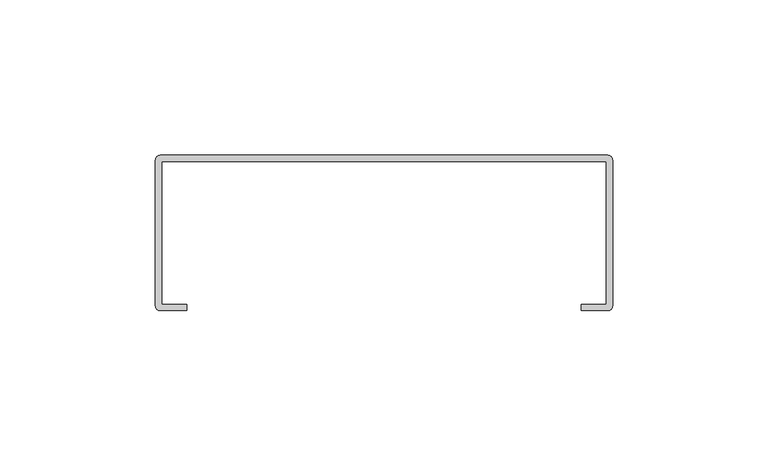
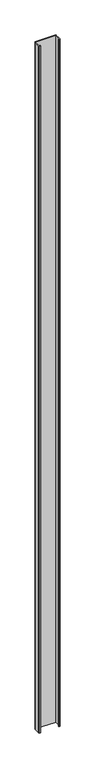
"""IFC4 building model written with IfcOpenShell, lengths in millimetres: proxy geometry."""

from ifc_helpers import new_model, si_unit, point, frame_2d, origin, origin_with_axes, place, context, project, spatial, polyline, circle_curve, trimmed, segment, composite_curve, outline, extrude, source, transform, mapped, element, save


def generic_models_c9da9b57(model_context):
    return source(origin(), model_context, "Body", "SweptSolid", [
        extrude(outline(composite_curve([segment(polyline([(-72.0, 25.0), (72.0, 25.0)]), True, "CONTINUOUS"), segment(trimmed(circle_curve(frame_2d((72.0, 23.5)), 1.5), [point((72.0, 25.0))], [point((73.5, 23.5))], False, "CARTESIAN"), True, "CONTINUOUS"), segment(polyline([(73.5, 23.5), (73.5, -23.5)]), True, "CONTINUOUS"), segment(trimmed(circle_curve(frame_2d((72.0, -23.5)), 1.5), [point((73.5, -23.5))], [point((72.0, -25.0))], False, "CARTESIAN"), True, "CONTINUOUS"), segment(polyline([(72.0, -25.0), (63.5, -25.0), (63.5, -23.0), (71.5, -23.0), (71.5, 23.0), (-71.5, 23.0), (-71.5, -23.0), (-63.5, -23.0), (-63.5, -25.0), (-72.0, -25.0)]), True, "CONTINUOUS"), segment(trimmed(circle_curve(frame_2d((-72.0, -23.5)), 1.5), [point((-72.0, -25.0))], [point((-73.5, -23.5))], False, "CARTESIAN"), True, "CONTINUOUS"), segment(polyline([(-73.5, -23.5), (-73.5, 23.5)]), True, "CONTINUOUS"), segment(trimmed(circle_curve(frame_2d((-72.0, 23.5)), 1.5), [point((-73.5, 23.5))], [point((-72.0, 25.0))], False, "CARTESIAN"), True, "CONTINUOUS")], self_intersect=False)), origin_with_axes(), (0.0, 0.0, 1.0), 5000.0),
    ])


if __name__ == "__main__":
    model = new_model("IFC4")
    model_context = context("Model", 3, world=origin())
    ifc_project = project(units=[si_unit("LENGTHUNIT", "METRE", prefix="MILLI")], contexts=[model_context])
    site = spatial("IfcSite", under=ifc_project)
    building = spatial("IfcBuilding", under=site)
    placement = place(None, origin())
    generic_models_shape = generic_models_c9da9b57(model_context)
    element("IfcBuildingElementProxy", 1, Name="Generic Models", at=placement, inside=building, context=model_context, shape_type="MappedRepresentation", body=[
        mapped(generic_models_shape, transform((0.0, 0.0, 0.0), x_axis=(1.0, 0.0, 0.0), y_axis=(0.0, 1.0, 0.0), z_axis=(0.0, 0.0, 1.0))),
    ])
    save(model, "model.ifc")
